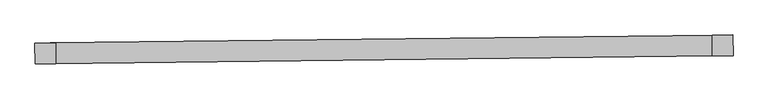
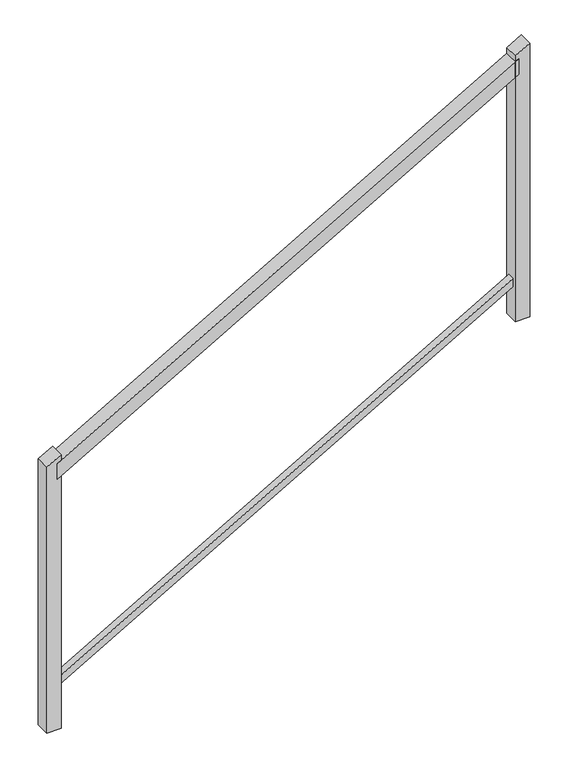
"""IFC4 building model written with IfcOpenShell, lengths in millimetres: railing geometry."""

from ifc_helpers import new_model, si_unit, frame, origin, place, context, project, spatial, polyline, outline, extrude, source, transform, mapped, element, save


def railing_ae1176b5(model_context):
    return source(origin(), model_context, "Body", "SweptSolid", [
        extrude(outline(polyline([(28.6497059, -50.8), (0.0, 0.0), (1873.6488892, 0.0), (1902.2985951, -50.8), (28.6497059, -50.8)])), frame((-19923.0598775, 119336.2406371, -550.760957), z_axis=(-0.011634463823806972, 0.9999323173352948, 0.0), x_axis=(0.8709687024595455, 0.01013393975248009, 0.49123397948536596)), (0.0, 0.0, 1.0), 50.8),
        extrude(outline(polyline([(14.324853, -25.4), (0.0, 0.0), (1873.6488892, 0.0), (1887.9737422, -25.4), (14.324853, -25.4)])), frame((-19923.2076352, 119348.9397775, -1333.7804785), z_axis=(-0.011634463823806973, 0.9999323173352948, 0.0), x_axis=(0.8709687024595455, 0.01013393975248009, 0.4912339794853659)), (0.0, 0.0, 1.0), 25.4),
        extrude(outline(polyline([(58.3219139, 0.0), (542.9611495, -859.3342377), (498.7129446, -884.2889239), (0.0, 0.0), (58.3219139, 0.0)])), frame((-18253.0729143, 119355.6713551, 471.1872794), z_axis=(-0.01163446382380697, 0.9999323173352948, 0.0), x_axis=(-0.8709687024595458, -0.010133939752480094, -0.49123397948536524)), (0.0, 0.0, 1.0), 50.8),
        extrude(outline(polyline([(58.321914, 0.0), (542.9611496, -859.3342378), (498.7129446, -884.288924), (0.0, 0.0), (58.321914, 0.0)])), frame((-19910.360737, 119336.3883948, -463.5375735), z_axis=(-0.01163446382380697, 0.9999323173352948, 0.0), x_axis=(-0.8709687024595458, -0.010133939752480094, -0.49123397948536524)), (0.0, 0.0, 1.0), 50.8),
    ])


if __name__ == "__main__":
    model = new_model("IFC4")
    model_context = context("Model", 3, world=origin())
    ifc_project = project(units=[si_unit("LENGTHUNIT", "METRE", prefix="MILLI")], contexts=[model_context])
    site = spatial("IfcSite", under=ifc_project)
    building = spatial("IfcBuilding", under=site)
    placement = place(None, origin())
    railing_shape = railing_ae1176b5(model_context)
    element("IfcRailing", 1, at=placement, inside=building, context=model_context, shape_type="MappedRepresentation", body=[
        mapped(railing_shape, transform((0.0, 0.0, 0.0), x_axis=(1.0, 0.0, 0.0), y_axis=(0.0, 1.0, 0.0), z_axis=(0.0, 0.0, 1.0))),
    ])
    save(model, "model.ifc")
